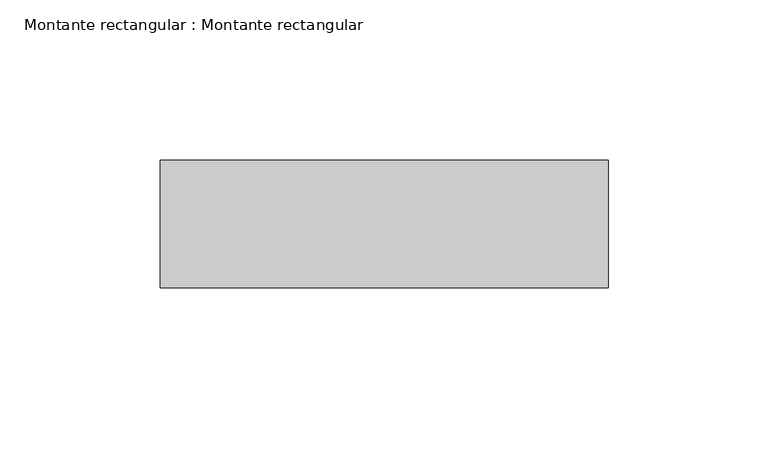
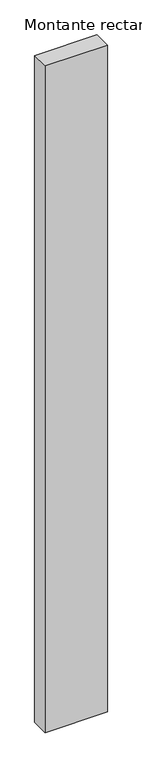
"""IFC4 building model written with IfcOpenShell, lengths in millimetres: member geometry, Montante rectangular : Montante rectangular."""

from ifc_helpers import new_model, si_unit, frame, origin, place, context, project, spatial, polyline, outline, extrude, source, transform, mapped, element, save


def montante_rectangular_montante_rectangular_cb13d7d0(model_context):
    return source(origin(), model_context, "Body", "SweptSolid", [
        extrude(outline(polyline([(-140.0, -4.614603), (0.0, -4.614603), (0.0, -44.614603), (-140.0, -44.614603), (-140.0, -4.614603)])), frame((0.0, 0.0, -1584.7728258), z_axis=(0.0, 0.0, 1.0), x_axis=(1.0, 0.0, 0.0)), (0.0, 0.0, 1.0), 1584.7728258),
    ])


if __name__ == "__main__":
    model = new_model("IFC4")
    model_context = context("Model", 3, world=origin())
    ifc_project = project(units=[si_unit("LENGTHUNIT", "METRE", prefix="MILLI")], contexts=[model_context])
    site = spatial("IfcSite", under=ifc_project)
    building = spatial("IfcBuilding", under=site)
    placement = place(None, origin())
    montante_rectangular_montante_rectangular_shape = montante_rectangular_montante_rectangular_cb13d7d0(model_context)
    element("IfcMember", 1, ObjectType="Montante rectangular : Montante rectangular", at=placement, inside=building, context=model_context, shape_type="MappedRepresentation", body=[
        mapped(montante_rectangular_montante_rectangular_shape, transform((0.0, 0.0, 0.0), x_axis=(1.0, 0.0, 0.0), y_axis=(0.0, 1.0, 0.0), z_axis=(0.0, 0.0, 1.0))),
    ])
    save(model, "model.ifc")
